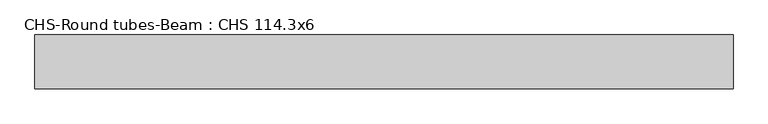
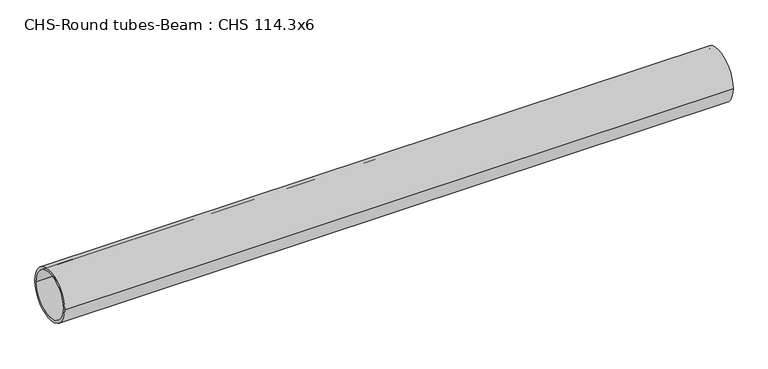
"""IFC4 building model written with IfcOpenShell, lengths in millimetres: beam geometry, CHS-Round tubes-Beam : CHS 114.3x6."""

from ifc_helpers import new_model, si_unit, point, frame, origin, origin_2d, place, context, project, spatial, circle_curve, trimmed, segment, composite_curve, outline, extrude, source, transform, mapped, element, save


def chs_round_tubes_beam_chs_114_3x6_15a757d3(model_context):
    return source(origin(), model_context, "Body", "SweptSolid", [
        extrude(outline(composite_curve([segment(trimmed(circle_curve(origin_2d(), 57.15), [point((57.15, 0.0))], [point((-57.15, 0.0))], False, "CARTESIAN"), True, "CONTINUOUS"), segment(trimmed(circle_curve(origin_2d(), 57.15), [point((-57.15, 0.0))], [point((57.15, 0.0))], False, "CARTESIAN"), True, "CONTINUOUS")], self_intersect=False), holes=[composite_curve([segment(trimmed(circle_curve(origin_2d(), 51.15), [point((51.15, 0.0))], [point((-51.15, 0.0))], True, "CARTESIAN"), True, "CONTINUOUS"), segment(trimmed(circle_curve(origin_2d(), 51.15), [point((-51.15, 0.0))], [point((51.15, 0.0))], True, "CARTESIAN"), True, "CONTINUOUS")], self_intersect=False)]), frame((-757.2026193, 0.0, 0.0), z_axis=(1.0, 0.0, 0.0), x_axis=(0.0, 1.0, 0.0)), (0.0, 0.0, 1.0), 1483.8923775),
    ])


if __name__ == "__main__":
    model = new_model("IFC4")
    model_context = context("Model", 3, world=origin())
    ifc_project = project(units=[si_unit("LENGTHUNIT", "METRE", prefix="MILLI")], contexts=[model_context])
    site = spatial("IfcSite", under=ifc_project)
    building = spatial("IfcBuilding", under=site)
    placement = place(None, origin())
    chs_round_tubes_beam_chs_114_3x6_shape = chs_round_tubes_beam_chs_114_3x6_15a757d3(model_context)
    element("IfcBeam", 1, ObjectType="CHS-Round tubes-Beam : CHS 114.3x6", at=placement, inside=building, context=model_context, shape_type="MappedRepresentation", body=[
        mapped(chs_round_tubes_beam_chs_114_3x6_shape, transform((0.0, 0.0, 0.0), x_axis=(1.0, 0.0, 0.0), y_axis=(0.0, 1.0, 0.0), z_axis=(0.0, 0.0, 1.0))),
    ])
    save(model, "model.ifc")
